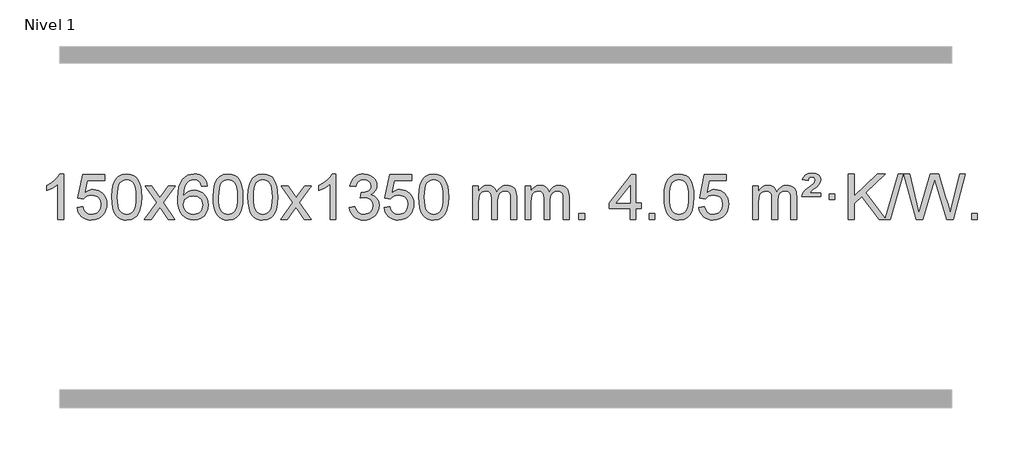
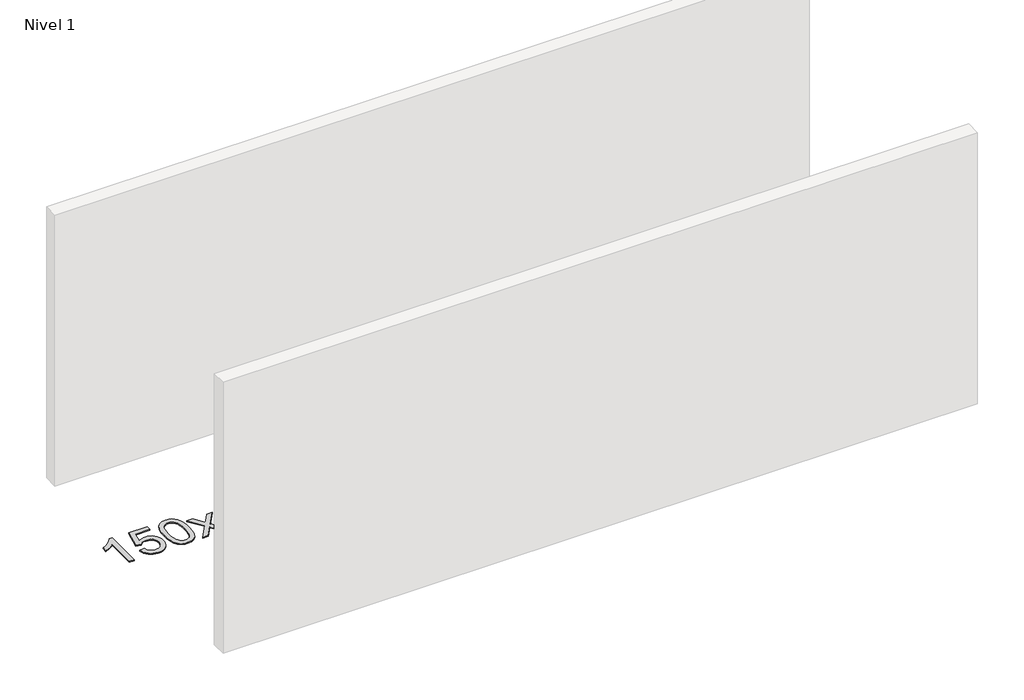
# One storey, part 8 of 25: 1 proxy.
"""IFC4 building model written with IfcOpenShell, lengths in millimetres."""

from ifc_helpers import new_model, si_unit, origin, origin_with_axes, place, context, project, spatial, polyline, outline, extrude, element, save

model = new_model("IFC4")

# Units and contexts
model_context = context("Model", 3, world=origin())
ifc_project = project(units=[si_unit("LENGTHUNIT", "METRE", prefix="MILLI")], contexts=[model_context])

# Site, building, storey
site = spatial("IfcSite", under=ifc_project)
building = spatial("IfcBuilding", under=site)
storey = spatial("IfcBuildingStorey", under=building, Name="Nivel 1", Elevation=0.0)

# Proxy
placement = place(None, origin())
element("IfcBuildingElementProxy", 1, Name="Texto de modelo 1", ObjectType="Texto de modelo 1", at=placement, inside=storey, context=model_context, shape_type="SweptSolid", body=[
    extrude(outline(polyline([(-196.9800865, -45890.579453), (-247.2082415, -45890.579453), (-247.2082415, -45577.4382987), (-268.1775153, -45594.3976587), (-294.7876462, -45611.3324932), (-347.6645517, -45636.6918254), (-347.6645517, -45589.2105225), (-308.2153391, -45567.7507395), (-274.0391017, -45542.219729), (-247.0978769, -45515.0700378), (-229.353702, -45488.7542124), (-196.9800865, -45488.7542124), (-196.9800865, -45890.579453)])), origin_with_axes(), (0.0, 0.0, 1.0), 10.0),
    extrude(outline(polyline([(-77.6882182, -45783.8446235), (-27.4600631, -45777.5661041), (-18.2384877, -45807.7201649), (-2.1497818, -45829.3148381), (20.7324783, -45842.3010725), (50.3347162, -45846.6298173), (69.4645799, -45845.1245668), (86.3381008, -45840.6088153), (100.9552787, -45833.0825628), (113.3161137, -45822.5458094), (123.1446944, -45809.519721), (130.1651091, -45794.5254641), (135.7814409, -45758.6324441), (130.5207284, -45724.8363514), (123.9448377, -45710.9181493), (114.7385908, -45698.9865099), (102.8713308, -45689.4154467), (88.3124008, -45682.5789729), (51.1195311, -45677.1097939), (26.7534803, -45679.2925604), (7.0227426, -45685.8408599), (-8.7348695, -45695.8717757), (-21.1815437, -45708.5023908), (-71.4096988, -45702.2238715), (-27.4600631, -45495.0327318), (167.1740378, -45495.0327318), (167.1740378, -45545.2608869), (13.1541092, -45545.2608869), (-8.4283012, -45655.919791), (9.2974796, -45643.2155994), (27.4524561, -45634.1411769), (46.0366282, -45628.6965234), (65.049996, -45626.8816388), (89.5141486, -45629.1318504), (111.9917386, -45635.882485), (132.4827657, -45647.1335427), (150.98723, -45662.8850234), (166.3095151, -45682.1743027), (177.2540045, -45704.038756), (183.8206981, -45728.4783832), (186.009596, -45755.4931844), (184.0414273, -45781.5147042), (178.1369213, -45805.7213394), (168.2960779, -45828.1130902), (154.5188972, -45848.6899565), (133.6477253, -45869.7634634), (109.2939373, -45884.8159684), (81.457533, -45893.8474714), (50.1385124, -45896.8579724), (24.2181602, -45894.9235262), (0.8055369, -45889.1201877), (-20.0993575, -45879.447957), (-38.4965229, -45865.9068338), (-53.8034796, -45849.1712688), (-65.4377477, -45829.915712), (-73.3993272, -45808.1401636), (-77.6882182, -45783.8446235)])), origin_with_axes(), (0.0, 0.0, 1.0), 10.0),
    extrude(outline(polyline([(229.9592317, -45692.9041943), (233.6503144, -45628.5861588), (244.7235624, -45577.2911459), (263.0686112, -45538.2343407), (274.9266742, -45523.0009605), (288.5750962, -45510.6309284), (304.0598626, -45501.0598651), (321.4269584, -45494.2233914), (361.8081387, -45488.7542124), (392.7592773, -45491.991574), (420.4730542, -45501.7036586), (443.6496199, -45517.5103217), (460.9891246, -45539.0314184), (474.0857237, -45566.0830078), (484.5335723, -45598.4811488), (491.3761774, -45639.6226186), (493.6570458, -45692.9041943), (490.0027513, -45756.8543477), (479.0398679, -45808.0267333), (460.8051836, -45847.1203266), (448.9747118, -45862.3996922), (435.3354868, -45874.8341036), (419.8323264, -45884.4695462), (402.4100483, -45891.3520052), (361.8081387, -45896.8579724), (334.1434127, -45894.4667394), (309.6179464, -45887.2930405), (288.2317397, -45875.3368757), (269.9847927, -45858.5982449), (252.4736098, -45828.3399508), (239.9656219, -45790.6381776), (232.4608292, -45745.4929255), (229.9592317, -45692.9041943)]), holes=[polyline([(280.1873867, -45692.8060924), (281.6589147, -45736.4706195), (286.0734987, -45771.8148822), (293.4311386, -45798.8388804), (303.7318344, -45817.5426142), (316.1907713, -45830.2682656), (330.0231344, -45839.3580165), (345.2289235, -45844.8118671), (361.8081387, -45846.6298173), (378.387354, -45844.8057357), (393.5931431, -45839.3334911), (407.4255061, -45830.2130833), (419.8844431, -45817.4445124), (430.1851389, -45798.7101217), (437.5427788, -45771.6922549), (441.9573628, -45736.3909118), (443.4288907, -45692.8060924), (442.0064137, -45650.2973278), (437.7389826, -45615.5753989), (430.6265973, -45588.6403055), (420.669258, -45569.4920476), (408.4187875, -45556.1440625), (394.427009, -45546.6097875), (378.6939223, -45540.8892225), (361.2195276, -45538.9823675), (344.7261514, -45540.6623619), (329.7778797, -45545.7023452), (316.3747123, -45554.1023175), (304.5166494, -45565.8622786), (293.872597, -45586.708925), (286.2697024, -45614.8151094), (281.7079657, -45650.1808319), (280.1873867, -45692.8060924)])]), origin_with_axes(), (0.0, 0.0, 1.0), 10.0),
    extrude(outline(polyline([(518.7711234, -45890.579453), (626.0945641, -45742.1513307), (525.0496427, -45595.4890419), (585.2841881, -45595.4890419), (634.0408152, -45666.2204869), (656.8985498, -45699.4770192), (676.7151266, -45672.2047007), (732.2407824, -45595.4890419), (792.6715315, -45595.4890419), (686.5253132, -45742.2494325), (788.7474569, -45890.579453), (728.4148097, -45890.579453), (666.8068382, -45801.3067555), (655.6232256, -45784.923744), (579.2018724, -45890.579453), (518.7711234, -45890.579453)])), origin_with_axes(), (0.0, 0.0, 1.0), 10.0),
    extrude(outline(polyline([(1077.5593486, -45595.4890419), (1027.3311935, -45601.7675613), (1019.2377896, -45576.874213), (1008.2994316, -45559.8780648), (985.5152734, -45544.2062918), (957.9731747, -45538.9823675), (934.6249307, -45542.0235253), (912.6501129, -45551.1469988), (893.7777665, -45570.3627017), (878.3635109, -45596.8134171), (867.9524504, -45634.227016), (864.0896895, -45686.3313693), (884.2373601, -45662.8237098), (908.3826817, -45646.2567573), (935.1767537, -45636.434308), (963.2706754, -45633.1601582), (987.4037343, -45635.398107), (1009.6728577, -45642.1119534), (1030.0780457, -45653.3016975), (1048.6192983, -45668.9673391), (1064.0274225, -45688.1769106), (1075.0332255, -45709.9984443), (1081.6367073, -45734.4319401), (1083.8378679, -45761.4773982), (1079.6930641, -45797.4439945), (1067.2586527, -45830.786366), (1047.5647032, -45859.0642287), (1021.6412853, -45879.8372987), (990.6656213, -45892.602804), (955.8149336, -45896.8579724), (925.8724049, -45894.0375437), (898.8300126, -45885.5762579), (874.6877566, -45871.4741147), (853.4456371, -45851.7311143), (836.1275922, -45825.5133908), (823.7575601, -45791.9870783), (816.3355408, -45751.1521768), (813.8615344, -45703.0086864), (816.6083866, -45649.0342663), (824.8489433, -45602.9693092), (838.5832045, -45564.8138149), (857.8111701, -45534.5677835), (878.6516851, -45514.5243462), (902.8154009, -45500.2076052), (930.3023173, -45491.6175606), (961.1124344, -45488.7542124), (984.2460805, -45490.5261773), (1005.1846974, -45495.8420722), (1023.928285, -45504.7018969), (1040.4768434, -45517.1056515), (1054.3827829, -45532.6364031), (1065.1985135, -45550.8772186), (1072.9240354, -45571.8280983), (1077.5593486, -45595.4890419)]), holes=[polyline([(864.0896895, -45760.6925832), (866.9959573, -45782.9494439), (875.7147605, -45804.2007605), (889.252818, -45822.472233), (906.6168481, -45835.7895612), (927.5738591, -45843.9197533), (951.890859, -45846.6298173), (985.0370268, -45841.0134855), (998.9521632, -45833.9930708), (1011.0953348, -45824.1644901), (1020.9453752, -45811.9262824), (1027.9811183, -45797.6769865), (1033.6097129, -45763.1451299), (1028.0546947, -45729.9989621), (1021.1109221, -45716.3781312), (1011.3896404, -45704.725469), (999.2096806, -45695.3904634), (984.889874, -45688.7226022), (949.8307198, -45683.3883133), (916.733603, -45688.7226022), (889.0566142, -45704.725469), (878.1335847, -45716.2248471), (870.3314207, -45729.3858254), (865.6501223, -45744.2084042), (864.0896895, -45760.6925832)])]), origin_with_axes(), (0.0, 0.0, 1.0), 10.0),
    extrude(outline(polyline([(1127.7875036, -45692.9041943), (1131.4785863, -45628.5861588), (1142.5518344, -45577.2911459), (1160.8968832, -45538.2343407), (1172.7549462, -45523.0009605), (1186.4033682, -45510.6309284), (1201.8881345, -45501.0598651), (1219.2552304, -45494.2233914), (1259.6364107, -45488.7542124), (1290.5875492, -45491.991574), (1318.3013262, -45501.7036586), (1341.4778919, -45517.5103217), (1358.8173966, -45539.0314184), (1371.9139956, -45566.0830078), (1382.3618443, -45598.4811488), (1389.2044494, -45639.6226186), (1391.4853178, -45692.9041943), (1387.8310233, -45756.8543477), (1376.8681398, -45808.0267333), (1358.6334556, -45847.1203266), (1346.8029838, -45862.3996922), (1333.1637588, -45874.8341036), (1317.6605984, -45884.4695462), (1300.2383202, -45891.3520052), (1259.6364107, -45896.8579724), (1231.9716847, -45894.4667394), (1207.4462183, -45887.2930405), (1186.0600117, -45875.3368757), (1167.8130647, -45858.5982449), (1150.3018817, -45828.3399508), (1137.7938939, -45790.6381776), (1130.2891012, -45745.4929255), (1127.7875036, -45692.9041943)]), holes=[polyline([(1178.0156587, -45692.8060924), (1179.4871867, -45736.4706195), (1183.9017706, -45771.8148822), (1191.2594105, -45798.8388804), (1201.5601064, -45817.5426142), (1214.0190433, -45830.2682656), (1227.8514063, -45839.3580165), (1243.0571955, -45844.8118671), (1259.6364107, -45846.6298173), (1276.215626, -45844.8057357), (1291.4214151, -45839.3334911), (1305.2537781, -45830.2130833), (1317.712715, -45817.4445124), (1328.0134109, -45798.7101217), (1335.3710508, -45771.6922549), (1339.7856347, -45736.3909118), (1341.2571627, -45692.8060924), (1339.8346857, -45650.2973278), (1335.5672545, -45615.5753989), (1328.4548693, -45588.6403055), (1318.4975299, -45569.4920476), (1306.2470595, -45556.1440625), (1292.2552809, -45546.6097875), (1276.5221943, -45540.8892225), (1259.0477995, -45538.9823675), (1242.5544234, -45540.6623619), (1227.6061517, -45545.7023452), (1214.2029843, -45554.1023175), (1202.3449213, -45565.8622786), (1191.7008689, -45586.708925), (1184.0979744, -45614.8151094), (1179.5362376, -45650.1808319), (1178.0156587, -45692.8060924)])]), origin_with_axes(), (0.0, 0.0, 1.0), 10.0),
    extrude(outline(polyline([(1435.4349535, -45692.9041943), (1439.1260362, -45628.5861588), (1450.1992842, -45577.2911459), (1468.544333, -45538.2343407), (1480.402396, -45523.0009605), (1494.050818, -45510.6309284), (1509.5355843, -45501.0598651), (1526.9026802, -45494.2233914), (1567.2838605, -45488.7542124), (1598.2349991, -45491.991574), (1625.948776, -45501.7036586), (1649.1253417, -45517.5103217), (1666.4648464, -45539.0314184), (1679.5614455, -45566.0830078), (1690.0092941, -45598.4811488), (1696.8518992, -45639.6226186), (1699.1327676, -45692.9041943), (1695.4784731, -45756.8543477), (1684.5155897, -45808.0267333), (1666.2809054, -45847.1203266), (1654.4504336, -45862.3996922), (1640.8112086, -45874.8341036), (1625.3080482, -45884.4695462), (1607.8857701, -45891.3520052), (1567.2838605, -45896.8579724), (1539.6191345, -45894.4667394), (1515.0936682, -45887.2930405), (1493.7074615, -45875.3368757), (1475.4605145, -45858.5982449), (1457.9493316, -45828.3399508), (1445.4413437, -45790.6381776), (1437.936551, -45745.4929255), (1435.4349535, -45692.9041943)]), holes=[polyline([(1485.6631085, -45692.8060924), (1487.1346365, -45736.4706195), (1491.5492205, -45771.8148822), (1498.9068604, -45798.8388804), (1509.2075562, -45817.5426142), (1521.6664931, -45830.2682656), (1535.4988562, -45839.3580165), (1550.7046453, -45844.8118671), (1567.2838605, -45846.6298173), (1583.8630758, -45844.8057357), (1599.0688649, -45839.3334911), (1612.9012279, -45830.2130833), (1625.3601648, -45817.4445124), (1635.6608607, -45798.7101217), (1643.0185006, -45771.6922549), (1647.4330846, -45736.3909118), (1648.9046125, -45692.8060924), (1647.4821355, -45650.2973278), (1643.2147043, -45615.5753989), (1636.1023191, -45588.6403055), (1626.1449798, -45569.4920476), (1613.8945093, -45556.1440625), (1599.9027308, -45546.6097875), (1584.1696441, -45540.8892225), (1566.6952493, -45538.9823675), (1550.2018732, -45540.6623619), (1535.2536015, -45545.7023452), (1521.8504341, -45554.1023175), (1509.9923712, -45565.8622786), (1499.3483188, -45586.708925), (1491.7454242, -45614.8151094), (1487.1836875, -45650.1808319), (1485.6631085, -45692.8060924)])]), origin_with_axes(), (0.0, 0.0, 1.0), 10.0),
    extrude(outline(polyline([(1724.2468452, -45890.579453), (1831.5702859, -45742.1513307), (1730.5253645, -45595.4890419), (1790.7599099, -45595.4890419), (1839.516537, -45666.2204869), (1862.3742716, -45699.4770192), (1882.1908484, -45672.2047007), (1937.7165042, -45595.4890419), (1998.1472533, -45595.4890419), (1892.001035, -45742.2494325), (1994.2231787, -45890.579453), (1933.8905315, -45890.579453), (1872.28256, -45801.3067555), (1861.0989474, -45784.923744), (1784.6775942, -45890.579453), (1724.2468452, -45890.579453)])), origin_with_axes(), (0.0, 0.0, 1.0), 10.0),
    extrude(outline(polyline([(2213.9713571, -45890.579453), (2163.7432021, -45890.579453), (2163.7432021, -45577.4382987), (2142.7739283, -45594.3976587), (2116.1637973, -45611.3324932), (2063.2868919, -45636.6918254), (2063.2868919, -45589.2105225), (2102.7361045, -45567.7507395), (2136.9123419, -45542.219729), (2163.8535667, -45515.0700378), (2181.5977416, -45488.7542124), (2213.9713571, -45488.7542124), (2213.9713571, -45890.579453)])), origin_with_axes(), (0.0, 0.0, 1.0), 10.0),
    extrude(outline(polyline([(2333.2632254, -45783.8446235), (2383.4913805, -45777.5661041), (2394.7363068, -45809.1303793), (2411.2051575, -45830.4430095), (2433.7072728, -45842.5831154), (2463.0519933, -45846.6298173), (2497.4857481, -45841.0625364), (2511.7595695, -45834.1034354), (2524.0713536, -45824.3606939), (2541.0675018, -45799.4428201), (2546.7328845, -45769.2274455), (2541.1165527, -45740.5449126), (2524.2675573, -45717.2825078), (2498.7610723, -45701.8682522), (2467.1722717, -45696.730167), (2431.953702, -45702.2238715), (2437.5455083, -45651.9957164), (2445.5898613, -45652.5843276), (2475.6826085, -45648.979084), (2502.5870451, -45638.1633534), (2513.6602931, -45629.9841103), (2521.569756, -45619.8673555), (2526.3154338, -45607.8130888), (2527.8973263, -45593.8213102), (2523.3110641, -45572.1285352), (2509.5522775, -45554.5315131), (2488.5584783, -45542.8696539), (2462.2671784, -45538.9823675), (2435.9268276, -45542.9064421), (2414.3934681, -45554.6786659), (2398.6726442, -45574.299039), (2389.7698999, -45601.7675613), (2339.5417448, -45595.4890419), (2345.4953018, -45571.5092672), (2354.330601, -45550.3867093), (2366.0476426, -45532.1213683), (2380.6464264, -45516.713244), (2397.6671001, -45504.4811677), (2416.649811, -45495.7439703), (2437.5945593, -45490.5016519), (2460.5013448, -45488.7542124), (2492.0778827, -45492.2000404), (2521.0792467, -45502.5375245), (2545.5311366, -45518.8469596), (2563.4592525, -45540.2086408), (2574.4589242, -45564.8199463), (2578.1254814, -45590.8782543), (2574.6428652, -45615.1584659), (2564.1950165, -45637.1823347), (2546.9290882, -45655.9443165), (2522.9922331, -45670.4388671), (2554.4338809, -45683.1430586), (2577.733074, -45704.77452), (2592.1540482, -45734.1560286), (2596.9610396, -45770.1103623), (2594.5575439, -45795.5923218), (2587.3470568, -45819.0631931), (2575.3295783, -45840.5229762), (2558.5051083, -45859.971671), (2538.0079498, -45876.1094278), (2514.9724056, -45887.636397), (2489.3984756, -45894.5525785), (2461.2861598, -45896.8579724), (2435.8777766, -45894.8898037), (2412.7257364, -45888.9852977), (2391.8300391, -45879.1444543), (2373.1906846, -45865.3672736), (2357.5618312, -45848.4630959), (2345.6976369, -45829.2412617), (2337.5981016, -45807.7017708), (2333.2632254, -45783.8446235)])), origin_with_axes(), (0.0, 0.0, 1.0), 10.0),
    extrude(outline(polyline([(2640.9106753, -45783.8446235), (2691.1388303, -45777.5661041), (2700.3604057, -45807.7201649), (2716.4491116, -45829.3148381), (2739.3313717, -45842.3010725), (2768.9336096, -45846.6298173), (2788.0634733, -45845.1245668), (2804.9369942, -45840.6088153), (2819.5541721, -45833.0825628), (2831.9150072, -45822.5458094), (2841.7435878, -45809.519721), (2848.7640025, -45794.5254641), (2854.3803343, -45758.6324441), (2849.1196218, -45724.8363514), (2842.5437311, -45710.9181493), (2833.3374842, -45698.9865099), (2821.4702242, -45689.4154467), (2806.9112942, -45682.5789729), (2769.7184245, -45677.1097939), (2745.3523737, -45679.2925604), (2725.621636, -45685.8408599), (2709.8640239, -45695.8717757), (2697.4173497, -45708.5023908), (2647.1891946, -45702.2238715), (2691.1388303, -45495.0327318), (2885.7729313, -45495.0327318), (2885.7729313, -45545.2608869), (2731.7530026, -45545.2608869), (2710.1705922, -45655.919791), (2727.896373, -45643.2155994), (2746.0513495, -45634.1411769), (2764.6355216, -45628.6965234), (2783.6488894, -45626.8816388), (2808.1130421, -45629.1318504), (2830.590632, -45635.882485), (2851.0816591, -45647.1335427), (2869.5861235, -45662.8850234), (2884.9084086, -45682.1743027), (2895.8528979, -45704.038756), (2902.4195915, -45728.4783832), (2904.6084894, -45755.4931844), (2902.6403207, -45781.5147042), (2896.7358147, -45805.7213394), (2886.8949713, -45828.1130902), (2873.1177906, -45848.6899565), (2852.2466188, -45869.7634634), (2827.8928307, -45884.8159684), (2800.0564264, -45893.8474714), (2768.7374059, -45896.8579724), (2742.8170536, -45894.9235262), (2719.4044303, -45889.1201877), (2698.4995359, -45879.447957), (2680.1023705, -45865.9068338), (2664.7954138, -45849.1712688), (2653.1611457, -45829.915712), (2645.1995662, -45808.1401636), (2640.9106753, -45783.8446235)])), origin_with_axes(), (0.0, 0.0, 1.0), 10.0),
    extrude(outline(polyline([(2948.5581251, -45692.9041943), (2952.2492078, -45628.5861588), (2963.3224558, -45577.2911459), (2981.6675047, -45538.2343407), (2993.5255676, -45523.0009605), (3007.1739897, -45510.6309284), (3022.658756, -45501.0598651), (3040.0258518, -45494.2233914), (3080.4070322, -45488.7542124), (3111.3581707, -45491.991574), (3139.0719477, -45501.7036586), (3162.2485134, -45517.5103217), (3179.5880181, -45539.0314184), (3192.6846171, -45566.0830078), (3203.1324658, -45598.4811488), (3209.9750709, -45639.6226186), (3212.2559392, -45692.9041943), (3208.6016448, -45756.8543477), (3197.6387613, -45808.0267333), (3179.4040771, -45847.1203266), (3167.5736052, -45862.3996922), (3153.9343803, -45874.8341036), (3138.4312199, -45884.4695462), (3121.0089417, -45891.3520052), (3080.4070322, -45896.8579724), (3052.7423061, -45894.4667394), (3028.2168398, -45887.2930405), (3006.8306331, -45875.3368757), (2988.5836862, -45858.5982449), (2971.0725032, -45828.3399508), (2958.5645154, -45790.6381776), (2951.0597227, -45745.4929255), (2948.5581251, -45692.9041943)]), holes=[polyline([(2998.7862802, -45692.8060924), (3000.2578082, -45736.4706195), (3004.6723921, -45771.8148822), (3012.030032, -45798.8388804), (3022.3307279, -45817.5426142), (3034.7896648, -45830.2682656), (3048.6220278, -45839.3580165), (3063.8278169, -45844.8118671), (3080.4070322, -45846.6298173), (3096.9862474, -45844.8057357), (3112.1920366, -45839.3334911), (3126.0243996, -45830.2130833), (3138.4833365, -45817.4445124), (3148.7840323, -45798.7101217), (3156.1416722, -45771.6922549), (3160.5562562, -45736.3909118), (3162.0277842, -45692.8060924), (3160.6053071, -45650.2973278), (3156.337876, -45615.5753989), (3149.2254907, -45588.6403055), (3139.2681514, -45569.4920476), (3127.017681, -45556.1440625), (3113.0259024, -45546.6097875), (3097.2928157, -45540.8892225), (3079.818421, -45538.9823675), (3063.3250449, -45540.6623619), (3048.3767731, -45545.7023452), (3034.9736058, -45554.1023175), (3023.1155428, -45565.8622786), (3012.4714904, -45586.708925), (3004.8685958, -45614.8151094), (3000.3068591, -45650.1808319), (2998.7862802, -45692.8060924)])]), origin_with_axes(), (0.0, 0.0, 1.0), 10.0),
    extrude(outline(polyline([(3425.7255983, -45890.579453), (3425.7255983, -45595.4890419), (3475.9537534, -45595.4890419), (3475.9537534, -45644.0494653), (3491.0614407, -45621.7435537), (3510.48561, -45604.2691589), (3533.5640738, -45592.9751816), (3559.6346446, -45589.2105225), (3587.5691507, -45593.048758), (3609.9609015, -45604.5634645), (3626.6872695, -45622.9943524), (3637.6256275, -45647.5811324), (3655.9338882, -45622.0439906), (3676.8173228, -45603.803175), (3700.2759313, -45592.8586857), (3726.3097138, -45589.2105225), (3746.4175306, -45590.7280358), (3764.0666693, -45595.2805755), (3779.25713, -45602.8681416), (3791.9889127, -45613.4907342), (3802.053551, -45627.2709806), (3809.2425783, -45644.3315082), (3813.5559947, -45664.6723168), (3814.9938001, -45688.2934066), (3814.9938001, -45890.579453), (3764.7656451, -45890.579453), (3764.7656451, -45709.875817), (3763.6006854, -45684.8230531), (3760.1058065, -45667.9372695), (3753.5575069, -45656.3735121), (3743.2322856, -45647.2868268), (3729.9517456, -45641.4007149), (3714.53749, -45639.4386776), (3687.3264851, -45644.4663982), (3665.1432008, -45659.54956), (3656.5378278, -45671.1194488), (3650.3911328, -45685.7182326), (3645.4737768, -45724.0024856), (3645.4737768, -45890.579453), (3595.2456217, -45890.579453), (3595.2456217, -45704.2840106), (3592.3393539, -45675.8835206), (3583.6205506, -45655.6254854), (3568.2798714, -45643.4853796), (3545.5079759, -45639.4386776), (3526.157383, -45642.1364789), (3508.327369, -45650.2298828), (3493.6120892, -45663.5226856), (3483.6056989, -45681.8186835), (3477.8667398, -45707.2025411), (3475.9537534, -45741.7589232), (3475.9537534, -45890.579453), (3425.7255983, -45890.579453)])), origin_with_axes(), (0.0, 0.0, 1.0), 10.0),
    extrude(outline(polyline([(3890.3360328, -45890.579453), (3890.3360328, -45595.4890419), (3940.5641878, -45595.4890419), (3940.5641878, -45644.0494653), (3955.6718751, -45621.7435537), (3975.0960444, -45604.2691589), (3998.1745083, -45592.9751816), (4024.245079, -45589.2105225), (4052.1795852, -45593.048758), (4074.5713359, -45604.5634645), (4091.297704, -45622.9943524), (4102.236062, -45647.5811324), (4120.5443226, -45622.0439906), (4141.4277572, -45603.803175), (4164.8863658, -45592.8586857), (4190.9201483, -45589.2105225), (4211.027965, -45590.7280358), (4228.6771037, -45595.2805755), (4243.8675644, -45602.8681416), (4256.5993471, -45613.4907342), (4266.6639854, -45627.2709806), (4273.8530127, -45644.3315082), (4278.1664291, -45664.6723168), (4279.6042346, -45688.2934066), (4279.6042346, -45890.579453), (4229.3760795, -45890.579453), (4229.3760795, -45709.875817), (4228.2111199, -45684.8230531), (4224.7162409, -45667.9372695), (4218.1679414, -45656.3735121), (4207.8427201, -45647.2868268), (4194.56218, -45641.4007149), (4179.1479244, -45639.4386776), (4151.9369195, -45644.4663982), (4129.7536352, -45659.54956), (4121.1482622, -45671.1194488), (4115.0015672, -45685.7182326), (4110.0842112, -45724.0024856), (4110.0842112, -45890.579453), (4059.8560561, -45890.579453), (4059.8560561, -45704.2840106), (4056.9497884, -45675.8835206), (4048.2309851, -45655.6254854), (4032.8903059, -45643.4853796), (4010.1184104, -45639.4386776), (3990.7678174, -45642.1364789), (3972.9378034, -45650.2298828), (3958.2225236, -45663.5226856), (3948.2161333, -45681.8186835), (3942.4771742, -45707.2025411), (3940.5641878, -45741.7589232), (3940.5641878, -45890.579453), (3890.3360328, -45890.579453)])), origin_with_axes(), (0.0, 0.0, 1.0), 10.0),
    extrude(outline(polyline([(4367.503506, -45890.579453), (4367.503506, -45840.3512979), (4417.731661, -45840.3512979), (4417.731661, -45890.579453), (4367.503506, -45890.579453)])), origin_with_axes(), (0.0, 0.0, 1.0), 10.0),
    extrude(outline(polyline([(4819.5569016, -45890.579453), (4819.5569016, -45796.4016622), (4637.4798395, -45796.4016622), (4637.4798395, -45746.1735072), (4832.1139404, -45495.0327318), (4869.7850567, -45495.0327318), (4869.7850567, -45746.1735072), (4920.0132118, -45746.1735072), (4920.0132118, -45796.4016622), (4869.7850567, -45796.4016622), (4869.7850567, -45890.579453), (4819.5569016, -45890.579453)]), holes=[polyline([(4819.5569016, -45746.1735072), (4819.5569016, -45590.9763561), (4699.2840147, -45746.1735072), (4819.5569016, -45746.1735072)])]), origin_with_axes(), (0.0, 0.0, 1.0), 10.0),
    extrude(outline(polyline([(4989.076925, -45890.579453), (4989.076925, -45840.3512979), (5039.3050801, -45840.3512979), (5039.3050801, -45890.579453), (4989.076925, -45890.579453)])), origin_with_axes(), (0.0, 0.0, 1.0), 10.0),
    extrude(outline(polyline([(5120.9258321, -45692.9041943), (5124.6169148, -45628.5861588), (5135.6901628, -45577.2911459), (5154.0352116, -45538.2343407), (5165.8932746, -45523.0009605), (5179.5416966, -45510.6309284), (5195.026463, -45501.0598651), (5212.3935588, -45494.2233914), (5252.7747392, -45488.7542124), (5283.7258777, -45491.991574), (5311.4396547, -45501.7036586), (5334.6162203, -45517.5103217), (5351.9557251, -45539.0314184), (5365.0523241, -45566.0830078), (5375.5001727, -45598.4811488), (5382.3427779, -45639.6226186), (5384.6236462, -45692.9041943), (5380.9693517, -45756.8543477), (5370.0064683, -45808.0267333), (5351.7717841, -45847.1203266), (5339.9413122, -45862.3996922), (5326.3020873, -45874.8341036), (5310.7989268, -45884.4695462), (5293.3766487, -45891.3520052), (5252.7747392, -45896.8579724), (5225.1100131, -45894.4667394), (5200.5845468, -45887.2930405), (5179.1983401, -45875.3368757), (5160.9513932, -45858.5982449), (5143.4402102, -45828.3399508), (5130.9322224, -45790.6381776), (5123.4274297, -45745.4929255), (5120.9258321, -45692.9041943)]), holes=[polyline([(5171.1539872, -45692.8060924), (5172.6255151, -45736.4706195), (5177.0400991, -45771.8148822), (5184.397739, -45798.8388804), (5194.6984348, -45817.5426142), (5207.1573718, -45830.2682656), (5220.9897348, -45839.3580165), (5236.1955239, -45844.8118671), (5252.7747392, -45846.6298173), (5269.3539544, -45844.8057357), (5284.5597435, -45839.3334911), (5298.3921066, -45830.2130833), (5310.8510435, -45817.4445124), (5321.1517393, -45798.7101217), (5328.5093792, -45771.6922549), (5332.9239632, -45736.3909118), (5334.3954912, -45692.8060924), (5332.9730141, -45650.2973278), (5328.705583, -45615.5753989), (5321.5931977, -45588.6403055), (5311.6358584, -45569.4920476), (5299.3853879, -45556.1440625), (5285.3936094, -45546.6097875), (5269.6605227, -45540.8892225), (5252.186128, -45538.9823675), (5235.6927518, -45540.6623619), (5220.7444801, -45545.7023452), (5207.3413128, -45554.1023175), (5195.4832498, -45565.8622786), (5184.8391974, -45586.708925), (5177.2363028, -45614.8151094), (5172.6745661, -45650.1808319), (5171.1539872, -45692.8060924)])]), origin_with_axes(), (0.0, 0.0, 1.0), 10.0),
    extrude(outline(polyline([(5428.5732819, -45783.8446235), (5478.801437, -45777.5661041), (5488.0230123, -45807.7201649), (5504.1117183, -45829.3148381), (5526.9939784, -45842.3010725), (5556.5962162, -45846.6298173), (5575.72608, -45845.1245668), (5592.5996008, -45840.6088153), (5607.2167788, -45833.0825628), (5619.5776138, -45822.5458094), (5629.4061945, -45809.519721), (5636.4266092, -45794.5254641), (5642.042941, -45758.6324441), (5636.7822285, -45724.8363514), (5630.2063378, -45710.9181493), (5621.0000909, -45698.9865099), (5609.1328308, -45689.4154467), (5594.5739009, -45682.5789729), (5557.3810312, -45677.1097939), (5533.0149803, -45679.2925604), (5513.2842427, -45685.8408599), (5497.5266305, -45695.8717757), (5485.0799564, -45708.5023908), (5434.8518013, -45702.2238715), (5478.801437, -45495.0327318), (5673.4355379, -45495.0327318), (5673.4355379, -45545.2608869), (5519.4156093, -45545.2608869), (5497.8331989, -45655.919791), (5515.5589797, -45643.2155994), (5533.7139561, -45634.1411769), (5552.2981283, -45628.6965234), (5571.311496, -45626.8816388), (5595.7756487, -45629.1318504), (5618.2532386, -45635.882485), (5638.7442658, -45647.1335427), (5657.2487301, -45662.8850234), (5672.5710152, -45682.1743027), (5683.5155046, -45704.038756), (5690.0821982, -45728.4783832), (5692.2710961, -45755.4931844), (5690.3029274, -45781.5147042), (5684.3984214, -45805.7213394), (5674.557578, -45828.1130902), (5660.7803973, -45848.6899565), (5639.9092254, -45869.7634634), (5615.5554373, -45884.8159684), (5587.719033, -45893.8474714), (5556.4000125, -45896.8579724), (5530.4796603, -45894.9235262), (5507.067037, -45889.1201877), (5486.1621426, -45879.447957), (5467.7649771, -45865.9068338), (5452.4580205, -45849.1712688), (5440.8237524, -45829.915712), (5432.8621728, -45808.1401636), (5428.5732819, -45783.8446235)])), origin_with_axes(), (0.0, 0.0, 1.0), 10.0),
    extrude(outline(polyline([(5905.7407551, -45890.579453), (5905.7407551, -45595.4890419), (5955.9689102, -45595.4890419), (5955.9689102, -45644.0494653), (5971.0765975, -45621.7435537), (5990.5007668, -45604.2691589), (6013.5792306, -45592.9751816), (6039.6498014, -45589.2105225), (6067.5843075, -45593.048758), (6089.9760583, -45604.5634645), (6106.7024264, -45622.9943524), (6117.6407843, -45647.5811324), (6135.949045, -45622.0439906), (6156.8324796, -45603.803175), (6180.2910881, -45592.8586857), (6206.3248707, -45589.2105225), (6226.4326874, -45590.7280358), (6244.0818261, -45595.2805755), (6259.2722868, -45602.8681416), (6272.0040695, -45613.4907342), (6282.0687078, -45627.2709806), (6289.2577351, -45644.3315082), (6293.5711515, -45664.6723168), (6295.008957, -45688.2934066), (6295.008957, -45890.579453), (6244.7808019, -45890.579453), (6244.7808019, -45709.875817), (6243.6158422, -45684.8230531), (6240.1209633, -45667.9372695), (6233.5726638, -45656.3735121), (6223.2474424, -45647.2868268), (6209.9669024, -45641.4007149), (6194.5526468, -45639.4386776), (6167.3416419, -45644.4663982), (6145.1583576, -45659.54956), (6136.5529846, -45671.1194488), (6130.4062896, -45685.7182326), (6125.4889336, -45724.0024856), (6125.4889336, -45890.579453), (6075.2607785, -45890.579453), (6075.2607785, -45704.2840106), (6072.3545107, -45675.8835206), (6063.6357075, -45655.6254854), (6048.2950283, -45643.4853796), (6025.5231328, -45639.4386776), (6006.1725398, -45642.1364789), (5988.3425258, -45650.2298828), (5973.627246, -45663.5226856), (5963.6208557, -45681.8186835), (5957.8818966, -45707.2025411), (5955.9689102, -45741.7589232), (5955.9689102, -45890.579453), (5905.7407551, -45890.579453)])), origin_with_axes(), (0.0, 0.0, 1.0), 10.0),
    extrude(outline(polyline([(6338.9585926, -45689.6668327), (6342.7845654, -45673.8479069), (6351.123224, -45657.9799302), (6372.6320579, -45632.8413272), (6404.5887406, -45605.1030247), (6448.73458, -45567.726214), (6455.8714907, -45556.1992448), (6458.250461, -45544.3779701), (6456.362, -45532.2869152), (6450.6966173, -45522.5012541), (6441.3278892, -45516.026531), (6428.329392, -45513.8682899), (6415.8949806, -45515.4869707), (6407.0412872, -45520.343013), (6400.615615, -45529.8098431), (6395.4652671, -45545.2608869), (6345.237112, -45538.9823675), (6356.0773682, -45513.7701881), (6372.7056343, -45496.2099542), (6396.4708112, -45485.9092583), (6428.7217995, -45482.475693), (6464.5044549, -45486.6082341), (6489.2506504, -45499.0058573), (6503.6716246, -45517.3386434), (6508.478616, -45539.2766731), (6504.3828631, -45562.1834586), (6492.0956045, -45583.8149199), (6471.5677892, -45603.6314968), (6435.0984207, -45631.6886303), (6409.4938339, -45658.2742358), (6508.478616, -45658.2742358), (6508.478616, -45689.6668327), (6338.9585926, -45689.6668327)])), origin_with_axes(), (0.0, 0.0, 1.0), 10.0),
    extrude(outline(polyline([(6583.8208486, -45714.7809102), (6583.8208486, -45664.5527552), (6634.0490037, -45664.5527552), (6634.0490037, -45714.7809102), (6583.8208486, -45714.7809102)])), origin_with_axes(), (0.0, 0.0, 1.0), 10.0),
    extrude(outline(polyline([(7024.6906317, -45890.579453), (6871.1612123, -45687.9009991), (6803.5690271, -45752.4520265), (6803.5690271, -45890.579453), (6753.340872, -45890.579453), (6753.340872, -45488.7542124), (6803.5690271, -45488.7542124), (6803.5690271, -45685.4484525), (7009.5829444, -45488.7542124), (7079.82388, -45488.7542124), (6906.7721895, -45653.9577537), (7081.5232229, -45884.5373449), (7192.8372289, -45488.7542124), (7238.3564945, -45488.7542124), (7125.2450437, -45890.579453), (7086.1023994, -45890.579453), (7079.82388, -45890.579453), (7024.6906317, -45890.579453)])), origin_with_axes(), (0.0, 0.0, 1.0), 10.0),
    extrude(outline(polyline([(7352.6451676, -45890.579453), (7243.065384, -45488.7542124), (7294.8631689, -45488.7542124), (7358.4331777, -45752.844434), (7378.0535508, -45834.3670841), (7399.0473499, -45762.2622131), (7478.7060646, -45488.7542124), (7553.3615842, -45488.7542124), (7611.2416848, -45687.0180823), (7636.0369312, -45760.5944814), (7654.3084037, -45834.3670841), (7673.3401656, -45755.1988788), (7737.4006836, -45488.7542124), (7789.2965704, -45488.7542124), (7679.8148887, -45890.579453), (7626.0550664, -45890.579453), (7529.6209328, -45580.5775584), (7516.1809772, -45537.3146358), (7501.0732899, -45589.4067263), (7413.2721204, -45890.579453), (7352.6451676, -45890.579453)])), origin_with_axes(), (0.0, 0.0, 1.0), 10.0),
    extrude(outline(polyline([(7845.8032449, -45890.579453), (7845.8032449, -45840.3512979), (7896.0314, -45840.3512979), (7896.0314, -45890.579453), (7845.8032449, -45890.579453)])), origin_with_axes(), (0.0, 0.0, 1.0), 10.0),
])

save(model, "model.ifc")
